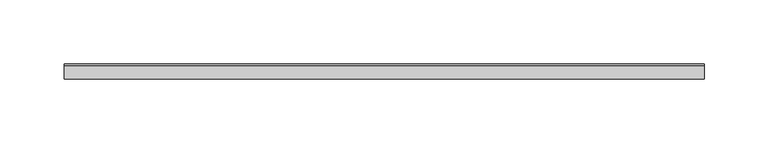
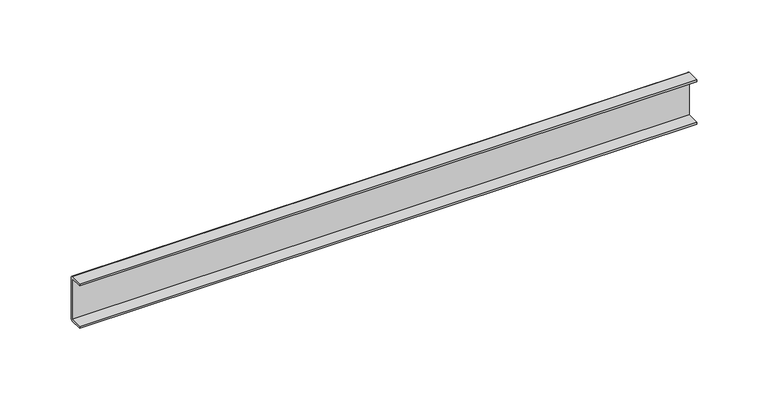
"""IFC4 building model written with IfcOpenShell, lengths in millimetres: proxy geometry."""

from ifc_helpers import new_model, si_unit, point, frame, frame_2d, origin, place, context, project, spatial, polyline, circle_curve, trimmed, segment, composite_curve, outline, extrude, source, transform, mapped, element, save


def mechanical_equipment_e1dfa46a(model_context):
    return source(origin(), model_context, "Body", "SweptSolid", [
        extrude(outline(composite_curve([segment(polyline([(-6.0, 36.4), (-6.0, 38.0), (4.4, 38.0)]), True, "CONTINUOUS"), segment(trimmed(circle_curve(frame_2d((4.4, 36.4)), 1.6), [point((4.4, 38.0))], [point((6.0, 36.4))], False, "CARTESIAN"), True, "CONTINUOUS"), segment(polyline([(6.0, 36.4), (6.0, 1.6)]), True, "CONTINUOUS"), segment(trimmed(circle_curve(frame_2d((4.4, 1.6)), 1.6), [point((6.0, 1.6))], [point((4.4, 0.0))], False, "CARTESIAN"), True, "CONTINUOUS"), segment(polyline([(4.4, 0.0), (-6.0, 0.0), (-6.0, 1.6), (4.4, 1.6), (4.4, 36.4), (-6.0, 36.4)]), True, "CONTINUOUS")], self_intersect=False)), frame((0.0, 0.0, 0.0), z_axis=(1.0, 0.0, 0.0), x_axis=(0.0, 1.0, 0.0)), (0.0, 0.0, 1.0), 500.0),
    ])


if __name__ == "__main__":
    model = new_model("IFC4")
    model_context = context("Model", 3, world=origin())
    ifc_project = project(units=[si_unit("LENGTHUNIT", "METRE", prefix="MILLI")], contexts=[model_context])
    site = spatial("IfcSite", under=ifc_project)
    building = spatial("IfcBuilding", under=site)
    placement = place(None, origin())
    mechanical_equipment_shape = mechanical_equipment_e1dfa46a(model_context)
    element("IfcBuildingElementProxy", 1, Name="Mechanical Equipment", at=placement, inside=building, context=model_context, shape_type="MappedRepresentation", body=[
        mapped(mechanical_equipment_shape, transform((0.0, 0.0, 0.0), x_axis=(1.0, 0.0, 0.0), y_axis=(0.0, 1.0, 0.0), z_axis=(0.0, 0.0, 1.0))),
    ])
    save(model, "model.ifc")
